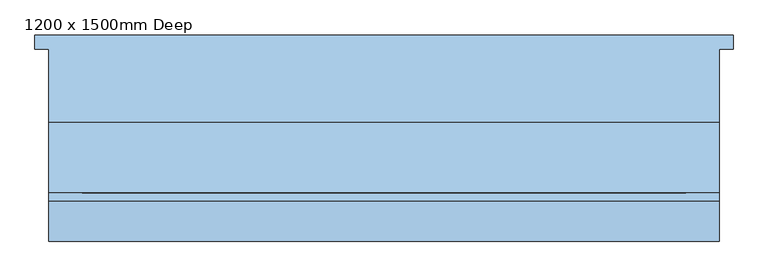
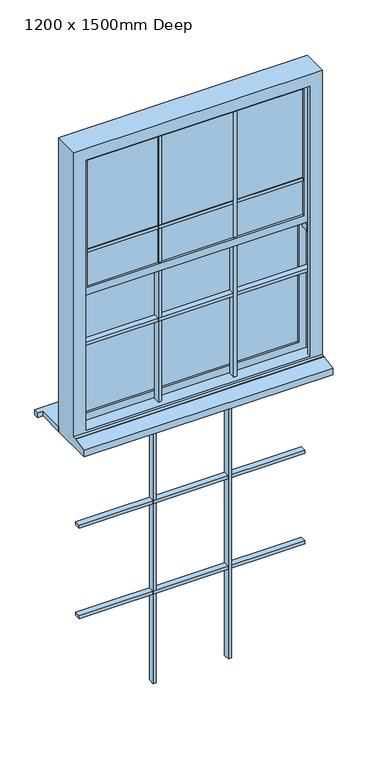
"""IFC4 building model written with IfcOpenShell, lengths in millimetres: window geometry, 1200 x 1500mm Deep."""

from ifc_helpers import new_model, si_unit, frame, origin, place, context, project, spatial, polyline, outline, extrude, faceted_brep, source, transform, mapped, element, save


def window_1200_x_1500mm_deep_0483e036(model_context):
    return source(origin(), model_context, "Body", "SolidModel", [
        extrude(outline(polyline([(-83.1666667, -20.9565678), (-83.1666667, -50.9565678), (-98.1666667, -50.9565678), (-98.1666667, -20.9565678), (-83.1666667, -20.9565678)])), frame((0.0, 0.0, -789.9289322), z_axis=(0.0, 0.0, 1.0), x_axis=(1.0, 0.0, 0.0)), (0.0, 0.0, 1.0), 1388.0),
        extrude(outline(polyline([(273.0, -20.9565678), (273.0, -50.9565678), (-818.0, -50.9565678), (-818.0, -20.9565678), (273.0, -20.9565678)])), frame((0.0, 0.0, 127.9044011), z_axis=(0.0, 0.0, 1.0), x_axis=(1.0, 0.0, 0.0)), (0.0, 0.0, 1.0), 15.0),
        extrude(outline(polyline([(273.0, -20.9565678), (273.0, -50.9565678), (-818.0, -50.9565678), (-818.0, -20.9565678), (273.0, -20.9565678)])), frame((0.0, 0.0, -334.7622655), z_axis=(0.0, 0.0, 1.0), x_axis=(1.0, 0.0, 0.0)), (0.0, 0.0, 1.0), 15.0),
        extrude(outline(polyline([(-446.8333333, -20.9565678), (-446.8333333, -50.9565678), (-461.8333333, -50.9565678), (-461.8333333, -20.9565678), (-446.8333333, -20.9565678)])), frame((0.0, 0.0, -789.9289322), z_axis=(0.0, 0.0, 1.0), x_axis=(1.0, 0.0, 0.0)), (0.0, 0.0, 1.0), 1388.0),
        extrude(outline(polyline([(-83.1666667, -65.9565678), (-83.1666667, -95.9565678), (-98.1666667, -95.9565678), (-98.1666667, -65.9565678), (-83.1666667, -65.9565678)])), frame((0.0, 0.0, 620.0), z_axis=(0.0, 0.0, 1.0), x_axis=(1.0, 0.0, 0.0)), (0.0, 0.0, 1.0), 1419.0),
        extrude(outline(polyline([(273.0, -65.9565678), (273.0, -95.9565678), (-818.0, -95.9565678), (-818.0, -65.9565678), (273.0, -65.9565678)])), frame((0.0, 0.0, 1558.5), z_axis=(0.0, 0.0, 1.0), x_axis=(1.0, 0.0, 0.0)), (0.0, 0.0, 1.0), 15.0),
        extrude(outline(polyline([(273.0, -65.9565678), (273.0, -95.9565678), (-818.0, -95.9565678), (-818.0, -65.9565678), (273.0, -65.9565678)])), frame((0.0, 0.0, 1085.5), z_axis=(0.0, 0.0, 1.0), x_axis=(1.0, 0.0, 0.0)), (0.0, 0.0, 1.0), 15.0),
        extrude(outline(polyline([(-446.8333333, -65.9565678), (-446.8333333, -95.9565678), (-461.8333333, -95.9565678), (-461.8333333, -65.9565678), (-446.8333333, -65.9565678)])), frame((0.0, 0.0, 620.0), z_axis=(0.0, 0.0, 1.0), x_axis=(1.0, 0.0, 0.0)), (0.0, 0.0, 1.0), 1419.0),
        extrude(outline(polyline([(-910.0, 161.5434322), (340.0, 161.5434322), (340.0, 136.5434322), (315.0, 136.5434322), (315.0, 4.5434322), (-885.0, 4.5434322), (-885.0, 136.5434322), (-910.0, 136.5434322), (-910.0, 161.5434322)])), frame((0.0, 0.0, 610.0), z_axis=(0.0, 0.0, 1.0), x_axis=(1.0, 0.0, 0.0)), (0.0, 0.0, 1.0), 25.0),
        faceted_brep([(-845.0, -58.4565678, 2070.0), (-845.0, -58.4565678, 1297.5), (-845.0, -103.4565678, 1297.5), (-845.0, -103.4565678, 2070.0), (-807.9289322, -68.9565678, 2032.9289322), (-807.9289322, -68.9565678, 1384.5710678), (-807.9289322, -58.4565678, 1384.5710678), (-807.9289322, -58.4565678, 2032.9289322), (-817.9289322, -92.9565678, 2042.9289322), (-817.9289322, -92.9565678, 1374.5710678), (-817.9289322, -68.9565678, 1374.5710678), (-817.9289322, -68.9565678, 2042.9289322), (-807.9289322, -103.4565678, 2032.9289322), (-807.9289322, -103.4565678, 1384.5710678), (-807.9289322, -92.9565678, 1384.5710678), (-807.9289322, -92.9565678, 2032.9289322), (247.9289322, -103.4565678, 1347.5), (-817.9289322, -103.4565678, 1347.5), (-817.9289322, -58.4565678, 1347.5), (247.9289322, -58.4565678, 1347.5), (237.9289322, -68.9565678, 1384.5710678), (237.9289322, -58.4565678, 1384.5710678), (247.9289322, -92.9565678, 1374.5710678), (247.9289322, -68.9565678, 1374.5710678), (237.9289322, -103.4565678, 1384.5710678), (237.9289322, -92.9565678, 1384.5710678), (275.0, -103.4565678, 2070.0), (275.0, -103.4565678, 1297.5), (275.0, -58.4565678, 1297.5), (275.0, -58.4565678, 2070.0), (237.9289322, -68.9565678, 2032.9289322), (237.9289322, -58.4565678, 2032.9289322), (247.9289322, -92.9565678, 2042.9289322), (247.9289322, -68.9565678, 2042.9289322), (237.9289322, -103.4565678, 2032.9289322), (237.9289322, -92.9565678, 2032.9289322), (254.9289322, -58.4565678, 1297.5), (-824.9289322, -58.4565678, 1297.5), (-824.9289322, -103.4565678, 1297.5), (254.9289322, -103.4565678, 1297.5)], [[[0, 1, 2, 3]], [[4, 5, 6, 7]], [[8, 9, 10, 11]], [[12, 13, 14, 15]], [[16, 17, 18, 19]], [[5, 20, 21, 6]], [[9, 22, 23, 10]], [[13, 24, 25, 14]], [[26, 27, 28, 29]], [[20, 30, 31, 21]], [[22, 32, 33, 23]], [[24, 34, 35, 25]], [[3, 26, 29, 0]], [[0, 29, 28, 36, 19, 18, 37, 1], [6, 21, 31, 7]], [[7, 31, 30, 4]], [[10, 23, 33, 11], [4, 30, 20, 5]], [[11, 33, 32, 8]], [[8, 32, 22, 9], [14, 25, 35, 15]], [[15, 35, 34, 12]], [[2, 38, 17, 16, 39, 27, 26, 3], [12, 34, 24, 13]], [[28, 27, 39, 36]], [[39, 16, 19, 36]], [[37, 38, 2, 1]], [[37, 18, 17, 38]]]),
        extrude(outline(polyline([(247.9289322, -68.9565678), (247.9289322, -92.9565678), (-817.9289322, -92.9565678), (-817.9289322, -68.9565678), (247.9289322, -68.9565678)])), frame((0.0, 0.0, 1374.5710678), z_axis=(0.0, 0.0, 1.0), x_axis=(1.0, 0.0, 0.0)), (0.0, 0.0, 1.0), 668.3578644),
        extrude(outline(polyline([(247.9289322, -23.9565678), (247.9289322, -47.9565678), (-817.9289322, -47.9565678), (-817.9289322, -23.9565678), (247.9289322, -23.9565678)])), frame((0.0, 0.0, 700.0710678), z_axis=(0.0, 0.0, 1.0), x_axis=(1.0, 0.0, 0.0)), (0.0, 0.0, 1.0), 657.8578644),
        faceted_brep([(-885.0, 4.5434322, 610.0), (-885.0, 4.5434322, 2110.0), (315.0, 4.5434322, 2110.0), (315.0, 4.5434322, 610.0), (-825.0, 4.5434322, 2050.0), (-825.0, 4.5434322, 685.0), (255.0, 4.5434322, 685.0), (255.0, 4.5434322, 2050.0), (-885.0, -208.9565678, 610.0), (-885.0, -208.9565678, 643.8088847), (-885.0, -136.4565678, 656.5550779), (-885.0, -136.4565678, 660.2709278), (-885.0, -121.4565678, 661.0), (-885.0, -121.4565678, 2110.0), (315.0, -121.4565678, 661.0), (315.0, -121.4565678, 2110.0), (-825.0, -121.4565678, 2050.0), (255.0, -121.4565678, 2050.0), (255.0, -121.4565678, 673.0), (-825.0, -121.4565678, 673.0), (-825.0, -103.4565678, 673.0), (-825.0, -103.4565678, 2050.0), (-845.0, -103.4565678, 673.0), (-845.0, -103.4565678, 2070.0), (275.0, -103.4565678, 2070.0), (275.0, -103.4565678, 673.0), (255.0, -103.4565678, 673.0), (255.0, -103.4565678, 2050.0), (-845.0, -13.4565678, 673.0), (-845.0, -13.4565678, 2070.0), (275.0, -13.4565678, 673.0), (275.0, -13.4565678, 2070.0), (-825.0, -13.4565678, 2050.0), (255.0, -13.4565678, 2050.0), (255.0, -13.4565678, 685.0), (-825.0, -13.4565678, 685.0), (315.0, -136.4565678, 660.2709278), (315.0, -136.4565678, 656.5550779), (315.0, -208.9565678, 643.8088847), (315.0, -208.9565678, 610.0)], [[[0, 1, 2, 3], [4, 5, 6, 7]], [[0, 8, 9, 10, 11, 12, 13, 1]], [[12, 14, 15, 13], [16, 17, 18, 19]], [[19, 20, 21, 16]], [[20, 22, 23, 24, 25, 26, 27, 21]], [[22, 28, 29, 23]], [[29, 28, 30, 31], [32, 33, 34, 35]], [[32, 35, 5, 4]], [[1, 13, 15, 2]], [[16, 21, 27, 17]], [[23, 29, 31, 24]], [[7, 33, 32, 4]], [[14, 36, 37, 38, 39, 3, 2, 15]], [[17, 27, 26, 18]], [[24, 31, 30, 25]], [[7, 6, 34, 33]], [[39, 8, 0, 3]], [[38, 9, 8, 39]], [[37, 10, 9, 38]], [[36, 11, 10, 37]], [[14, 12, 11, 36]], [[28, 22, 20, 19, 18, 26, 25, 30]], [[5, 35, 34, 6]]]),
        faceted_brep([(-845.0, -13.4565678, 1385.0), (-845.0, -13.4565678, 673.0), (-845.0, -58.4565678, 673.0), (-845.0, -58.4565678, 1385.0), (-807.9289322, -23.9565678, 1347.9289322), (-807.9289322, -23.9565678, 710.0710678), (-807.9289322, -13.4565678, 710.0710678), (-807.9289322, -13.4565678, 1347.9289322), (-817.9289322, -47.9565678, 1357.9289322), (-817.9289322, -47.9565678, 700.0710678), (-817.9289322, -23.9565678, 700.0710678), (-817.9289322, -23.9565678, 1357.9289322), (-807.9289322, -58.4565678, 1347.9289322), (-807.9289322, -58.4565678, 710.0710678), (-807.9289322, -47.9565678, 710.0710678), (-807.9289322, -47.9565678, 1347.9289322), (275.0, -13.4565678, 673.0), (275.0, -58.4565678, 673.0), (237.9289322, -23.9565678, 710.0710678), (237.9289322, -13.4565678, 710.0710678), (247.9289322, -47.9565678, 700.0710678), (247.9289322, -23.9565678, 700.0710678), (237.9289322, -58.4565678, 710.0710678), (237.9289322, -47.9565678, 710.0710678), (275.0, -13.4565678, 1385.0), (275.0, -58.4565678, 1385.0), (237.9289322, -23.9565678, 1347.9289322), (237.9289322, -13.4565678, 1347.9289322), (247.9289322, -47.9565678, 1357.9289322), (247.9289322, -23.9565678, 1357.9289322), (237.9289322, -58.4565678, 1347.9289322), (237.9289322, -47.9565678, 1347.9289322)], [[[0, 1, 2, 3]], [[4, 5, 6, 7]], [[8, 9, 10, 11]], [[12, 13, 14, 15]], [[1, 16, 17, 2]], [[5, 18, 19, 6]], [[9, 20, 21, 10]], [[13, 22, 23, 14]], [[16, 24, 25, 17]], [[18, 26, 27, 19]], [[20, 28, 29, 21]], [[22, 30, 31, 23]], [[24, 0, 3, 25]], [[1, 0, 24, 16], [7, 6, 19, 27]], [[26, 4, 7, 27]], [[11, 10, 21, 29], [5, 4, 26, 18]], [[28, 8, 11, 29]], [[9, 8, 28, 20], [15, 14, 23, 31]], [[30, 12, 15, 31]], [[3, 2, 17, 25], [13, 12, 30, 22]]]),
    ])


if __name__ == "__main__":
    model = new_model("IFC4")
    model_context = context("Model", 3, world=origin())
    ifc_project = project(units=[si_unit("LENGTHUNIT", "METRE", prefix="MILLI")], contexts=[model_context])
    site = spatial("IfcSite", under=ifc_project)
    building = spatial("IfcBuilding", under=site)
    placement = place(None, origin())
    window_1200_x_1500mm_deep_shape = window_1200_x_1500mm_deep_0483e036(model_context)
    element("IfcWindow", 1, ObjectType="1200 x 1500mm Deep", at=placement, inside=building, context=model_context, shape_type="MappedRepresentation", body=[
        mapped(window_1200_x_1500mm_deep_shape, transform((0.0, 0.0, 0.0), x_axis=(1.0, 0.0, 0.0), y_axis=(0.0, 1.0, 0.0), z_axis=(0.0, 0.0, 1.0))),
    ])
    save(model, "model.ifc")
